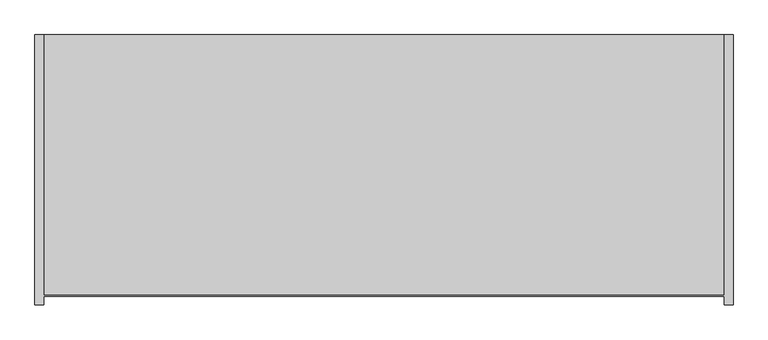
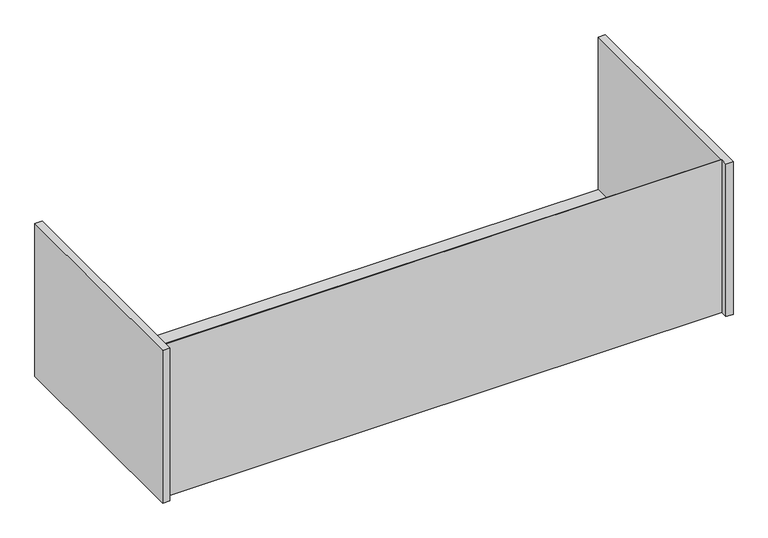
"""IFC4 building model written with IfcOpenShell, lengths in millimetres: furniture geometry."""

from ifc_helpers import new_model, si_unit, origin, place, context, project, spatial, faceted_brep, source, transform, mapped, element, save


def furniture_b67ace82(model_context):
    return source(origin(), model_context, "Body", "Brep", [
        faceted_brep([(742.95, -401.6375, 904.875), (-742.95, -401.6375, 904.875), (-742.95, 168.275, 904.875), (-762.0, 168.275, 904.875), (-762.0, -422.275, 904.875), (-742.95, -422.275, 904.875), (-742.95, -403.225, 904.875), (742.95, -403.225, 904.875), (742.95, -422.275, 904.875), (762.0, -422.275, 904.875), (762.0, 168.275, 904.875), (742.95, 168.275, 904.875), (-742.95, -403.225, 473.075), (742.95, -403.225, 473.075), (-742.95, -422.275, 473.075), (-762.0, -422.275, 473.075), (-762.0, 168.275, 473.075), (762.0, 168.275, 473.075), (762.0, -422.275, 473.075), (742.95, -422.275, 473.075), (-742.95, 168.275, 474.6625), (742.95, 168.275, 474.6625), (-742.95, -401.6375, 474.6625), (742.95, -401.6375, 474.6625)], [[[0, 1, 2, 3, 4, 5, 6, 7, 8, 9, 10, 11]], [[7, 6, 12, 13]], [[13, 12, 14, 15, 16, 17, 18, 19]], [[17, 16, 3, 2, 20, 21, 11, 10]], [[21, 20, 22, 23]], [[1, 0, 23, 22]], [[0, 11, 21, 23]], [[19, 8, 7, 13]], [[9, 8, 19, 18]], [[10, 9, 18, 17]], [[2, 1, 22, 20]], [[5, 14, 12, 6]], [[4, 3, 16, 15]], [[5, 4, 15, 14]]]),
    ])


if __name__ == "__main__":
    model = new_model("IFC4")
    model_context = context("Model", 3, world=origin())
    ifc_project = project(units=[si_unit("LENGTHUNIT", "METRE", prefix="MILLI")], contexts=[model_context])
    site = spatial("IfcSite", under=ifc_project)
    building = spatial("IfcBuilding", under=site)
    placement = place(None, origin())
    furniture_shape = furniture_b67ace82(model_context)
    element("IfcFurniture", 1, at=placement, inside=building, context=model_context, shape_type="MappedRepresentation", body=[
        mapped(furniture_shape, transform((0.0, 0.0, 0.0), x_axis=(1.0, 0.0, 0.0), y_axis=(0.0, 1.0, 0.0), z_axis=(0.0, 0.0, 1.0))),
    ])
    save(model, "model.ifc")
